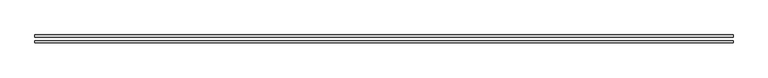
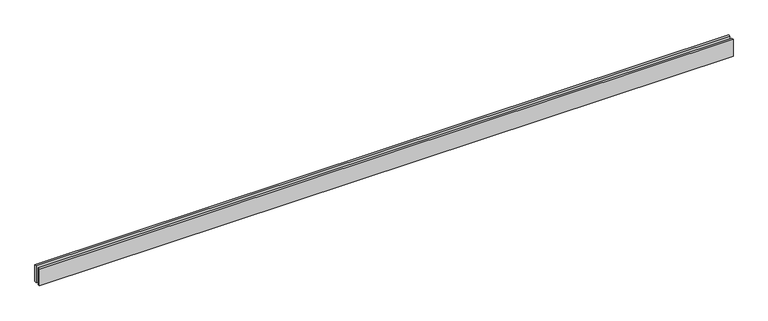
"""IFC4 building model written with IfcOpenShell, lengths in millimetres: proxy geometry."""

from ifc_helpers import new_model, si_unit, origin, origin_with_axes, place, context, project, spatial, polyline, outline, extrude, source, transform, mapped, element, save


def generic_models_35d08587(model_context):
    return source(origin(), model_context, "Body", "SweptSolid", [
        extrude(outline(polyline([(9842.9263941, -25.0), (9842.9263941, -55.0), (0.0, -55.0), (0.0, -25.0), (9842.9263941, -25.0)])), origin_with_axes(), (0.0, 0.0, 1.0), 250.0),
        extrude(outline(polyline([(9842.9263941, 55.0), (9842.9263941, 25.0), (0.0, 25.0), (0.0, 55.0), (9842.9263941, 55.0)])), origin_with_axes(), (0.0, 0.0, 1.0), 250.0),
    ])


if __name__ == "__main__":
    model = new_model("IFC4")
    model_context = context("Model", 3, world=origin())
    ifc_project = project(units=[si_unit("LENGTHUNIT", "METRE", prefix="MILLI")], contexts=[model_context])
    site = spatial("IfcSite", under=ifc_project)
    building = spatial("IfcBuilding", under=site)
    placement = place(None, origin())
    generic_models_shape = generic_models_35d08587(model_context)
    element("IfcBuildingElementProxy", 1, Name="Generic Models", at=placement, inside=building, context=model_context, shape_type="MappedRepresentation", body=[
        mapped(generic_models_shape, transform((0.0, 0.0, 0.0), x_axis=(1.0, 0.0, 0.0), y_axis=(0.0, 1.0, 0.0), z_axis=(0.0, 0.0, 1.0))),
    ])
    save(model, "model.ifc")
